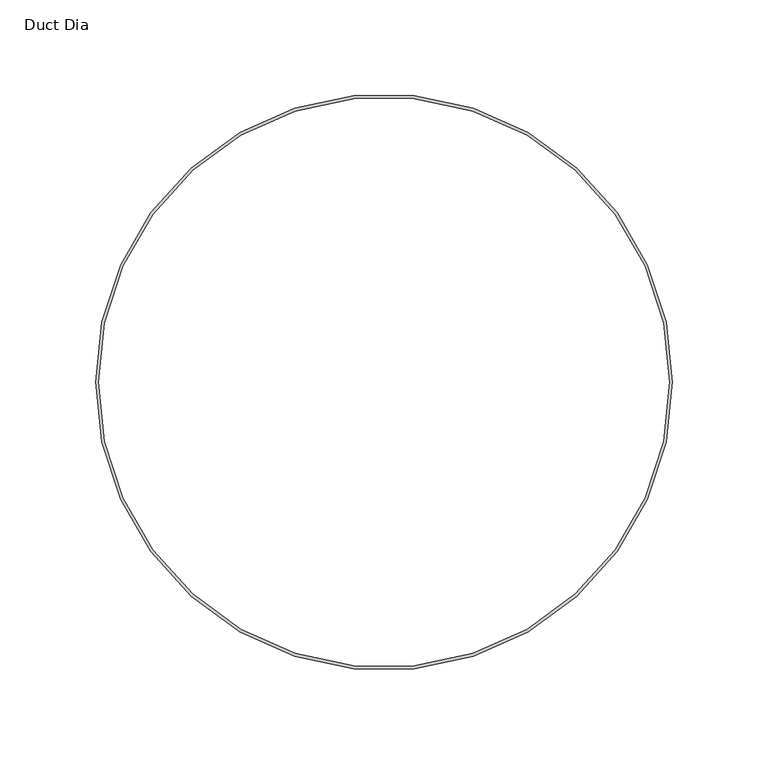
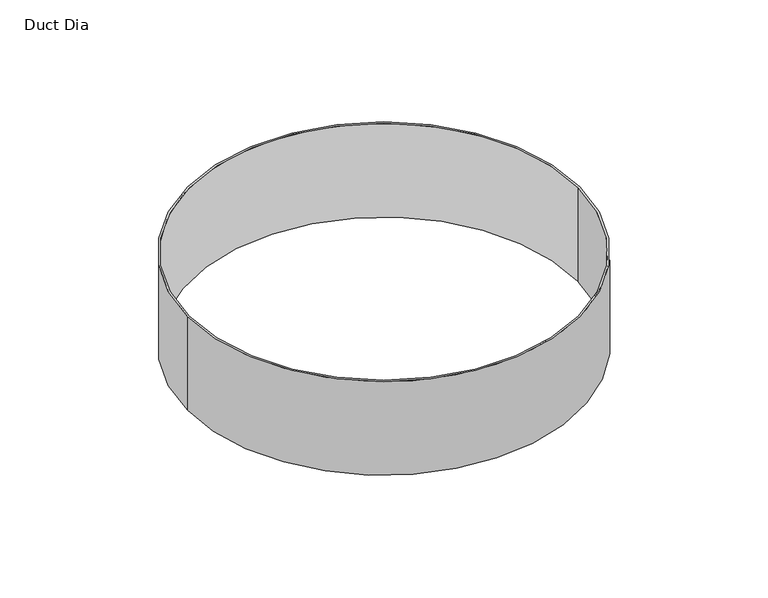
"""IFC4 building model written with IfcOpenShell, lengths in millimetres: proxy geometry, Duct Dia."""

from ifc_helpers import new_model, si_unit, point, origin, origin_with_axes, origin_2d, place, context, project, spatial, circle_curve, trimmed, segment, composite_curve, outline, extrude, source, transform, mapped, element, save


def duct_dia_4e7178c8(model_context):
    return source(origin(), model_context, "Body", "SweptSolid", [
        extrude(outline(composite_curve([segment(trimmed(circle_curve(origin_2d(), 150.8621094), [point((-150.8621094, 0.0))], [point((150.8621094, 0.0))], False, "CARTESIAN"), True, "CONTINUOUS"), segment(trimmed(circle_curve(origin_2d(), 150.8621094), [point((150.8621094, 0.0))], [point((-150.8621094, 0.0))], False, "CARTESIAN"), True, "CONTINUOUS")], self_intersect=False), holes=[composite_curve([segment(trimmed(circle_curve(origin_2d(), 149.2746094), [point((-149.2746094, 0.0))], [point((149.2746094, 0.0))], True, "CARTESIAN"), True, "CONTINUOUS"), segment(trimmed(circle_curve(origin_2d(), 149.2746094), [point((149.2746094, 0.0))], [point((-149.2746094, 0.0))], True, "CARTESIAN"), True, "CONTINUOUS")], self_intersect=False)]), origin_with_axes(), (0.0, 0.0, 1.0), 76.2),
    ])


if __name__ == "__main__":
    model = new_model("IFC4")
    model_context = context("Model", 3, world=origin())
    ifc_project = project(units=[si_unit("LENGTHUNIT", "METRE", prefix="MILLI")], contexts=[model_context])
    site = spatial("IfcSite", under=ifc_project)
    building = spatial("IfcBuilding", under=site)
    placement = place(None, origin())
    duct_dia_shape = duct_dia_4e7178c8(model_context)
    element("IfcBuildingElementProxy", 1, Name="Duct Dia", ObjectType="Duct Dia", at=placement, inside=building, context=model_context, shape_type="MappedRepresentation", body=[
        mapped(duct_dia_shape, transform((0.0, 0.0, 0.0), x_axis=(1.0, 0.0, 0.0), y_axis=(0.0, 1.0, 0.0), z_axis=(0.0, 0.0, 1.0))),
    ])
    save(model, "model.ifc")
